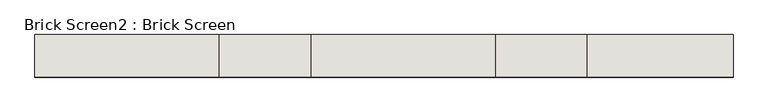
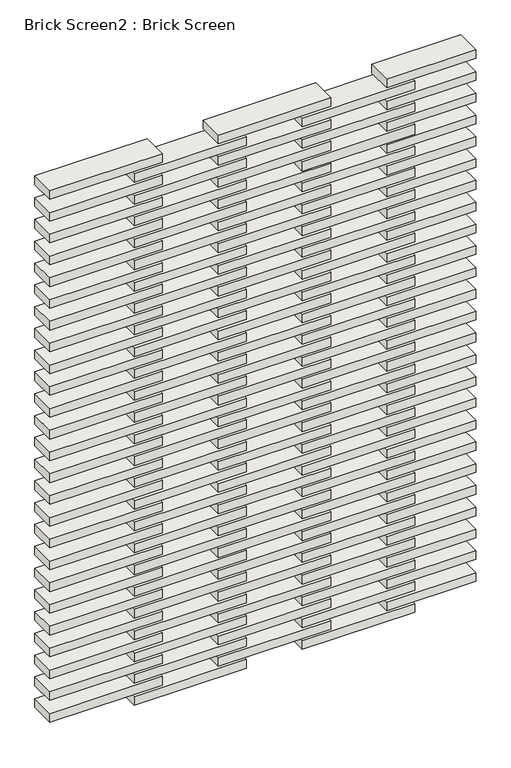
"""IFC4 building model written with IfcOpenShell, lengths in millimetres: wall geometry, Brick Screen2 : Brick Screen."""

from ifc_helpers import new_model, si_unit, frame, origin, place, context, project, spatial, polyline, outline, extrude, source, transform, mapped, element, save


def brick_screen2_brick_screen_7c3fa617(model_context):
    return source(origin(), model_context, "Body", "SweptSolid", [
        extrude(outline(polyline([(-18833.123383, 7003.9941064), (-18365.123383, 7003.9941064), (-18365.123383, 6895.9448876), (-18833.123383, 6895.9448876), (-18833.123383, 7003.9941064)])), frame((0.0, 0.0, 2991.64375), z_axis=(0.0, 0.0, 1.0), x_axis=(1.0, 0.0, 0.0)), (0.0, 0.0, 1.0), 38.0),
        extrude(outline(polyline([(-19184.123383, 7003.9941064), (-18716.123383, 7003.9941064), (-18716.123383, 6895.9448876), (-19184.123383, 6895.9448876), (-19184.123383, 7003.9941064)])), frame((0.0, 0.0, 3039.64375), z_axis=(0.0, 0.0, 1.0), x_axis=(1.0, 0.0, 0.0)), (0.0, 0.0, 1.0), 38.0),
        extrude(outline(polyline([(-19535.123383, 7003.9941064), (-19067.123383, 7003.9941064), (-19067.123383, 6895.9448876), (-19535.123383, 6895.9448876), (-19535.123383, 7003.9941064)])), frame((0.0, 0.0, 2991.64375), z_axis=(0.0, 0.0, 1.0), x_axis=(1.0, 0.0, 0.0)), (0.0, 0.0, 1.0), 38.0),
        extrude(outline(polyline([(-19886.123383, 7003.9941064), (-19418.123383, 7003.9941064), (-19418.123383, 6895.9448876), (-19886.123383, 6895.9448876), (-19886.123383, 7003.9941064)])), frame((0.0, 0.0, 3039.64375), z_axis=(0.0, 0.0, 1.0), x_axis=(1.0, 0.0, 0.0)), (0.0, 0.0, 1.0), 38.0),
        extrude(outline(polyline([(-18482.123383, 7003.9941064), (-18111.1269909, 7003.9941064), (-18111.1269909, 6895.9448876), (-18482.123383, 6895.9448876), (-18482.123383, 7003.9941064)])), frame((0.0, 0.0, 3039.64375), z_axis=(0.0, 0.0, 1.0), x_axis=(1.0, 0.0, 0.0)), (0.0, 0.0, 1.0), 38.0),
        extrude(outline(polyline([(-18833.123383, 7003.9941064), (-18365.123383, 7003.9941064), (-18365.123383, 6895.9448876), (-18833.123383, 6895.9448876), (-18833.123383, 7003.9941064)])), frame((0.0, 0.0, 3087.64375), z_axis=(0.0, 0.0, 1.0), x_axis=(1.0, 0.0, 0.0)), (0.0, 0.0, 1.0), 38.0),
        extrude(outline(polyline([(-19184.123383, 7003.9941064), (-18716.123383, 7003.9941064), (-18716.123383, 6895.9448876), (-19184.123383, 6895.9448876), (-19184.123383, 7003.9941064)])), frame((0.0, 0.0, 3135.64375), z_axis=(0.0, 0.0, 1.0), x_axis=(1.0, 0.0, 0.0)), (0.0, 0.0, 1.0), 38.0),
        extrude(outline(polyline([(-19535.123383, 7003.9941064), (-19067.123383, 7003.9941064), (-19067.123383, 6895.9448876), (-19535.123383, 6895.9448876), (-19535.123383, 7003.9941064)])), frame((0.0, 0.0, 3087.64375), z_axis=(0.0, 0.0, 1.0), x_axis=(1.0, 0.0, 0.0)), (0.0, 0.0, 1.0), 38.0),
        extrude(outline(polyline([(-19886.123383, 7003.9941064), (-19418.123383, 7003.9941064), (-19418.123383, 6895.9448876), (-19886.123383, 6895.9448876), (-19886.123383, 7003.9941064)])), frame((0.0, 0.0, 3135.64375), z_axis=(0.0, 0.0, 1.0), x_axis=(1.0, 0.0, 0.0)), (0.0, 0.0, 1.0), 38.0),
        extrude(outline(polyline([(-18482.123383, 7003.9941064), (-18111.1269909, 7003.9941064), (-18111.1269909, 6895.9448876), (-18482.123383, 6895.9448876), (-18482.123383, 7003.9941064)])), frame((0.0, 0.0, 3135.64375), z_axis=(0.0, 0.0, 1.0), x_axis=(1.0, 0.0, 0.0)), (0.0, 0.0, 1.0), 38.0),
        extrude(outline(polyline([(-18833.123383, 7003.9941064), (-18365.123383, 7003.9941064), (-18365.123383, 6895.9448876), (-18833.123383, 6895.9448876), (-18833.123383, 7003.9941064)])), frame((0.0, 0.0, 3183.64375), z_axis=(0.0, 0.0, 1.0), x_axis=(1.0, 0.0, 0.0)), (0.0, 0.0, 1.0), 38.0),
        extrude(outline(polyline([(-19184.123383, 7003.9941064), (-18716.123383, 7003.9941064), (-18716.123383, 6895.9448876), (-19184.123383, 6895.9448876), (-19184.123383, 7003.9941064)])), frame((0.0, 0.0, 3231.64375), z_axis=(0.0, 0.0, 1.0), x_axis=(1.0, 0.0, 0.0)), (0.0, 0.0, 1.0), 38.0),
        extrude(outline(polyline([(-19535.123383, 7003.9941064), (-19067.123383, 7003.9941064), (-19067.123383, 6895.9448876), (-19535.123383, 6895.9448876), (-19535.123383, 7003.9941064)])), frame((0.0, 0.0, 3183.64375), z_axis=(0.0, 0.0, 1.0), x_axis=(1.0, 0.0, 0.0)), (0.0, 0.0, 1.0), 38.0),
        extrude(outline(polyline([(-19886.123383, 7003.9941064), (-19418.123383, 7003.9941064), (-19418.123383, 6895.9448876), (-19886.123383, 6895.9448876), (-19886.123383, 7003.9941064)])), frame((0.0, 0.0, 3231.64375), z_axis=(0.0, 0.0, 1.0), x_axis=(1.0, 0.0, 0.0)), (0.0, 0.0, 1.0), 38.0),
        extrude(outline(polyline([(-18482.123383, 7003.9941064), (-18111.1269909, 7003.9941064), (-18111.1269909, 6895.9448876), (-18482.123383, 6895.9448876), (-18482.123383, 7003.9941064)])), frame((0.0, 0.0, 3231.64375), z_axis=(0.0, 0.0, 1.0), x_axis=(1.0, 0.0, 0.0)), (0.0, 0.0, 1.0), 38.0),
        extrude(outline(polyline([(-18833.123383, 7003.9941064), (-18365.123383, 7003.9941064), (-18365.123383, 6895.9448876), (-18833.123383, 6895.9448876), (-18833.123383, 7003.9941064)])), frame((0.0, 0.0, 3279.64375), z_axis=(0.0, 0.0, 1.0), x_axis=(1.0, 0.0, 0.0)), (0.0, 0.0, 1.0), 38.0),
        extrude(outline(polyline([(-19184.123383, 7003.9941064), (-18716.123383, 7003.9941064), (-18716.123383, 6895.9448876), (-19184.123383, 6895.9448876), (-19184.123383, 7003.9941064)])), frame((0.0, 0.0, 3327.64375), z_axis=(0.0, 0.0, 1.0), x_axis=(1.0, 0.0, 0.0)), (0.0, 0.0, 1.0), 38.0),
        extrude(outline(polyline([(-19535.123383, 7003.9941064), (-19067.123383, 7003.9941064), (-19067.123383, 6895.9448876), (-19535.123383, 6895.9448876), (-19535.123383, 7003.9941064)])), frame((0.0, 0.0, 3279.64375), z_axis=(0.0, 0.0, 1.0), x_axis=(1.0, 0.0, 0.0)), (0.0, 0.0, 1.0), 38.0),
        extrude(outline(polyline([(-19886.123383, 7003.9941064), (-19418.123383, 7003.9941064), (-19418.123383, 6895.9448876), (-19886.123383, 6895.9448876), (-19886.123383, 7003.9941064)])), frame((0.0, 0.0, 3327.64375), z_axis=(0.0, 0.0, 1.0), x_axis=(1.0, 0.0, 0.0)), (0.0, 0.0, 1.0), 38.0),
        extrude(outline(polyline([(-18482.123383, 7003.9941064), (-18111.1269909, 7003.9941064), (-18111.1269909, 6895.9448876), (-18482.123383, 6895.9448876), (-18482.123383, 7003.9941064)])), frame((0.0, 0.0, 3327.64375), z_axis=(0.0, 0.0, 1.0), x_axis=(1.0, 0.0, 0.0)), (0.0, 0.0, 1.0), 38.0),
        extrude(outline(polyline([(-18833.123383, 7003.9941064), (-18365.123383, 7003.9941064), (-18365.123383, 6895.9448876), (-18833.123383, 6895.9448876), (-18833.123383, 7003.9941064)])), frame((0.0, 0.0, 3375.64375), z_axis=(0.0, 0.0, 1.0), x_axis=(1.0, 0.0, 0.0)), (0.0, 0.0, 1.0), 38.0),
        extrude(outline(polyline([(-19184.123383, 7003.9941064), (-18716.123383, 7003.9941064), (-18716.123383, 6895.9448876), (-19184.123383, 6895.9448876), (-19184.123383, 7003.9941064)])), frame((0.0, 0.0, 3423.64375), z_axis=(0.0, 0.0, 1.0), x_axis=(1.0, 0.0, 0.0)), (0.0, 0.0, 1.0), 38.0),
        extrude(outline(polyline([(-19535.123383, 7003.9941064), (-19067.123383, 7003.9941064), (-19067.123383, 6895.9448876), (-19535.123383, 6895.9448876), (-19535.123383, 7003.9941064)])), frame((0.0, 0.0, 3375.64375), z_axis=(0.0, 0.0, 1.0), x_axis=(1.0, 0.0, 0.0)), (0.0, 0.0, 1.0), 38.0),
        extrude(outline(polyline([(-19886.123383, 7003.9941064), (-19418.123383, 7003.9941064), (-19418.123383, 6895.9448876), (-19886.123383, 6895.9448876), (-19886.123383, 7003.9941064)])), frame((0.0, 0.0, 3423.64375), z_axis=(0.0, 0.0, 1.0), x_axis=(1.0, 0.0, 0.0)), (0.0, 0.0, 1.0), 38.0),
        extrude(outline(polyline([(-18482.123383, 7003.9941064), (-18111.1269909, 7003.9941064), (-18111.1269909, 6895.9448876), (-18482.123383, 6895.9448876), (-18482.123383, 7003.9941064)])), frame((0.0, 0.0, 3423.64375), z_axis=(0.0, 0.0, 1.0), x_axis=(1.0, 0.0, 0.0)), (0.0, 0.0, 1.0), 38.0),
        extrude(outline(polyline([(-18833.123383, 7003.9941064), (-18365.123383, 7003.9941064), (-18365.123383, 6895.9448876), (-18833.123383, 6895.9448876), (-18833.123383, 7003.9941064)])), frame((0.0, 0.0, 3471.64375), z_axis=(0.0, 0.0, 1.0), x_axis=(1.0, 0.0, 0.0)), (0.0, 0.0, 1.0), 38.0),
        extrude(outline(polyline([(-19184.123383, 7003.9941064), (-18716.123383, 7003.9941064), (-18716.123383, 6895.9448876), (-19184.123383, 6895.9448876), (-19184.123383, 7003.9941064)])), frame((0.0, 0.0, 3519.64375), z_axis=(0.0, 0.0, 1.0), x_axis=(1.0, 0.0, 0.0)), (0.0, 0.0, 1.0), 38.0),
        extrude(outline(polyline([(-19535.123383, 7003.9941064), (-19067.123383, 7003.9941064), (-19067.123383, 6895.9448876), (-19535.123383, 6895.9448876), (-19535.123383, 7003.9941064)])), frame((0.0, 0.0, 3471.64375), z_axis=(0.0, 0.0, 1.0), x_axis=(1.0, 0.0, 0.0)), (0.0, 0.0, 1.0), 38.0),
        extrude(outline(polyline([(-19886.123383, 7003.9941064), (-19418.123383, 7003.9941064), (-19418.123383, 6895.9448876), (-19886.123383, 6895.9448876), (-19886.123383, 7003.9941064)])), frame((0.0, 0.0, 3519.64375), z_axis=(0.0, 0.0, 1.0), x_axis=(1.0, 0.0, 0.0)), (0.0, 0.0, 1.0), 38.0),
        extrude(outline(polyline([(-18482.123383, 7003.9941064), (-18111.1269909, 7003.9941064), (-18111.1269909, 6895.9448876), (-18482.123383, 6895.9448876), (-18482.123383, 7003.9941064)])), frame((0.0, 0.0, 3519.64375), z_axis=(0.0, 0.0, 1.0), x_axis=(1.0, 0.0, 0.0)), (0.0, 0.0, 1.0), 38.0),
        extrude(outline(polyline([(-18833.123383, 7003.9941064), (-18365.123383, 7003.9941064), (-18365.123383, 6895.9448876), (-18833.123383, 6895.9448876), (-18833.123383, 7003.9941064)])), frame((0.0, 0.0, 3567.64375), z_axis=(0.0, 0.0, 1.0), x_axis=(1.0, 0.0, 0.0)), (0.0, 0.0, 1.0), 38.0),
        extrude(outline(polyline([(-19184.123383, 7003.9941064), (-18716.123383, 7003.9941064), (-18716.123383, 6895.9448876), (-19184.123383, 6895.9448876), (-19184.123383, 7003.9941064)])), frame((0.0, 0.0, 3615.64375), z_axis=(0.0, 0.0, 1.0), x_axis=(1.0, 0.0, 0.0)), (0.0, 0.0, 1.0), 38.0),
        extrude(outline(polyline([(-19535.123383, 7003.9941064), (-19067.123383, 7003.9941064), (-19067.123383, 6895.9448876), (-19535.123383, 6895.9448876), (-19535.123383, 7003.9941064)])), frame((0.0, 0.0, 3567.64375), z_axis=(0.0, 0.0, 1.0), x_axis=(1.0, 0.0, 0.0)), (0.0, 0.0, 1.0), 38.0),
        extrude(outline(polyline([(-19886.123383, 7003.9941064), (-19418.123383, 7003.9941064), (-19418.123383, 6895.9448876), (-19886.123383, 6895.9448876), (-19886.123383, 7003.9941064)])), frame((0.0, 0.0, 3615.64375), z_axis=(0.0, 0.0, 1.0), x_axis=(1.0, 0.0, 0.0)), (0.0, 0.0, 1.0), 38.0),
        extrude(outline(polyline([(-18482.123383, 7003.9941064), (-18111.1269909, 7003.9941064), (-18111.1269909, 6895.9448876), (-18482.123383, 6895.9448876), (-18482.123383, 7003.9941064)])), frame((0.0, 0.0, 3615.64375), z_axis=(0.0, 0.0, 1.0), x_axis=(1.0, 0.0, 0.0)), (0.0, 0.0, 1.0), 38.0),
        extrude(outline(polyline([(-18833.123383, 7003.9941064), (-18365.123383, 7003.9941064), (-18365.123383, 6895.9448876), (-18833.123383, 6895.9448876), (-18833.123383, 7003.9941064)])), frame((0.0, 0.0, 3663.64375), z_axis=(0.0, 0.0, 1.0), x_axis=(1.0, 0.0, 0.0)), (0.0, 0.0, 1.0), 38.0),
        extrude(outline(polyline([(-19184.123383, 7003.9941064), (-18716.123383, 7003.9941064), (-18716.123383, 6895.9448876), (-19184.123383, 6895.9448876), (-19184.123383, 7003.9941064)])), frame((0.0, 0.0, 3711.64375), z_axis=(0.0, 0.0, 1.0), x_axis=(1.0, 0.0, 0.0)), (0.0, 0.0, 1.0), 38.0),
        extrude(outline(polyline([(-19535.123383, 7003.9941064), (-19067.123383, 7003.9941064), (-19067.123383, 6895.9448876), (-19535.123383, 6895.9448876), (-19535.123383, 7003.9941064)])), frame((0.0, 0.0, 3663.64375), z_axis=(0.0, 0.0, 1.0), x_axis=(1.0, 0.0, 0.0)), (0.0, 0.0, 1.0), 38.0),
        extrude(outline(polyline([(-19886.123383, 7003.9941064), (-19418.123383, 7003.9941064), (-19418.123383, 6895.9448876), (-19886.123383, 6895.9448876), (-19886.123383, 7003.9941064)])), frame((0.0, 0.0, 3711.64375), z_axis=(0.0, 0.0, 1.0), x_axis=(1.0, 0.0, 0.0)), (0.0, 0.0, 1.0), 38.0),
        extrude(outline(polyline([(-18482.123383, 7003.9941064), (-18111.1269909, 7003.9941064), (-18111.1269909, 6895.9448876), (-18482.123383, 6895.9448876), (-18482.123383, 7003.9941064)])), frame((0.0, 0.0, 3711.64375), z_axis=(0.0, 0.0, 1.0), x_axis=(1.0, 0.0, 0.0)), (0.0, 0.0, 1.0), 38.0),
        extrude(outline(polyline([(-18833.123383, 7003.9941064), (-18365.123383, 7003.9941064), (-18365.123383, 6895.9448876), (-18833.123383, 6895.9448876), (-18833.123383, 7003.9941064)])), frame((0.0, 0.0, 3759.64375), z_axis=(0.0, 0.0, 1.0), x_axis=(1.0, 0.0, 0.0)), (0.0, 0.0, 1.0), 38.0),
        extrude(outline(polyline([(-19184.123383, 7003.9941064), (-18716.123383, 7003.9941064), (-18716.123383, 6895.9448876), (-19184.123383, 6895.9448876), (-19184.123383, 7003.9941064)])), frame((0.0, 0.0, 3807.64375), z_axis=(0.0, 0.0, 1.0), x_axis=(1.0, 0.0, 0.0)), (0.0, 0.0, 1.0), 38.0),
        extrude(outline(polyline([(-19535.123383, 7003.9941064), (-19067.123383, 7003.9941064), (-19067.123383, 6895.9448876), (-19535.123383, 6895.9448876), (-19535.123383, 7003.9941064)])), frame((0.0, 0.0, 3759.64375), z_axis=(0.0, 0.0, 1.0), x_axis=(1.0, 0.0, 0.0)), (0.0, 0.0, 1.0), 38.0),
        extrude(outline(polyline([(-19886.123383, 7003.9941064), (-19418.123383, 7003.9941064), (-19418.123383, 6895.9448876), (-19886.123383, 6895.9448876), (-19886.123383, 7003.9941064)])), frame((0.0, 0.0, 3807.64375), z_axis=(0.0, 0.0, 1.0), x_axis=(1.0, 0.0, 0.0)), (0.0, 0.0, 1.0), 38.0),
        extrude(outline(polyline([(-18482.123383, 7003.9941064), (-18111.1269909, 7003.9941064), (-18111.1269909, 6895.9448876), (-18482.123383, 6895.9448876), (-18482.123383, 7003.9941064)])), frame((0.0, 0.0, 3807.64375), z_axis=(0.0, 0.0, 1.0), x_axis=(1.0, 0.0, 0.0)), (0.0, 0.0, 1.0), 38.0),
        extrude(outline(polyline([(-18833.123383, 7003.9941064), (-18365.123383, 7003.9941064), (-18365.123383, 6895.9448876), (-18833.123383, 6895.9448876), (-18833.123383, 7003.9941064)])), frame((0.0, 0.0, 3855.64375), z_axis=(0.0, 0.0, 1.0), x_axis=(1.0, 0.0, 0.0)), (0.0, 0.0, 1.0), 38.0),
        extrude(outline(polyline([(-19184.123383, 7003.9941064), (-18716.123383, 7003.9941064), (-18716.123383, 6895.9448876), (-19184.123383, 6895.9448876), (-19184.123383, 7003.9941064)])), frame((0.0, 0.0, 3903.64375), z_axis=(0.0, 0.0, 1.0), x_axis=(1.0, 0.0, 0.0)), (0.0, 0.0, 1.0), 38.0),
        extrude(outline(polyline([(-19535.123383, 7003.9941064), (-19067.123383, 7003.9941064), (-19067.123383, 6895.9448876), (-19535.123383, 6895.9448876), (-19535.123383, 7003.9941064)])), frame((0.0, 0.0, 3855.64375), z_axis=(0.0, 0.0, 1.0), x_axis=(1.0, 0.0, 0.0)), (0.0, 0.0, 1.0), 38.0),
        extrude(outline(polyline([(-19886.123383, 7003.9941064), (-19418.123383, 7003.9941064), (-19418.123383, 6895.9448876), (-19886.123383, 6895.9448876), (-19886.123383, 7003.9941064)])), frame((0.0, 0.0, 3903.64375), z_axis=(0.0, 0.0, 1.0), x_axis=(1.0, 0.0, 0.0)), (0.0, 0.0, 1.0), 38.0),
        extrude(outline(polyline([(-18482.123383, 7003.9941064), (-18111.1269909, 7003.9941064), (-18111.1269909, 6895.9448876), (-18482.123383, 6895.9448876), (-18482.123383, 7003.9941064)])), frame((0.0, 0.0, 3903.64375), z_axis=(0.0, 0.0, 1.0), x_axis=(1.0, 0.0, 0.0)), (0.0, 0.0, 1.0), 38.0),
        extrude(outline(polyline([(-18833.123383, 7003.9941064), (-18365.123383, 7003.9941064), (-18365.123383, 6895.9448876), (-18833.123383, 6895.9448876), (-18833.123383, 7003.9941064)])), frame((0.0, 0.0, 3951.64375), z_axis=(0.0, 0.0, 1.0), x_axis=(1.0, 0.0, 0.0)), (0.0, 0.0, 1.0), 38.0),
        extrude(outline(polyline([(-19184.123383, 7003.9941064), (-18716.123383, 7003.9941064), (-18716.123383, 6895.9448876), (-19184.123383, 6895.9448876), (-19184.123383, 7003.9941064)])), frame((0.0, 0.0, 3999.64375), z_axis=(0.0, 0.0, 1.0), x_axis=(1.0, 0.0, 0.0)), (0.0, 0.0, 1.0), 38.0),
        extrude(outline(polyline([(-19535.123383, 7003.9941064), (-19067.123383, 7003.9941064), (-19067.123383, 6895.9448876), (-19535.123383, 6895.9448876), (-19535.123383, 7003.9941064)])), frame((0.0, 0.0, 3951.64375), z_axis=(0.0, 0.0, 1.0), x_axis=(1.0, 0.0, 0.0)), (0.0, 0.0, 1.0), 38.0),
        extrude(outline(polyline([(-19886.123383, 7003.9941064), (-19418.123383, 7003.9941064), (-19418.123383, 6895.9448876), (-19886.123383, 6895.9448876), (-19886.123383, 7003.9941064)])), frame((0.0, 0.0, 3999.64375), z_axis=(0.0, 0.0, 1.0), x_axis=(1.0, 0.0, 0.0)), (0.0, 0.0, 1.0), 38.0),
        extrude(outline(polyline([(-18482.123383, 7003.9941064), (-18111.1269909, 7003.9941064), (-18111.1269909, 6895.9448876), (-18482.123383, 6895.9448876), (-18482.123383, 7003.9941064)])), frame((0.0, 0.0, 3999.64375), z_axis=(0.0, 0.0, 1.0), x_axis=(1.0, 0.0, 0.0)), (0.0, 0.0, 1.0), 38.0),
        extrude(outline(polyline([(-18833.123383, 7003.9941064), (-18365.123383, 7003.9941064), (-18365.123383, 6895.9448876), (-18833.123383, 6895.9448876), (-18833.123383, 7003.9941064)])), frame((0.0, 0.0, 4047.64375), z_axis=(0.0, 0.0, 1.0), x_axis=(1.0, 0.0, 0.0)), (0.0, 0.0, 1.0), 38.0),
        extrude(outline(polyline([(-19184.123383, 7003.9941064), (-18716.123383, 7003.9941064), (-18716.123383, 6895.9448876), (-19184.123383, 6895.9448876), (-19184.123383, 7003.9941064)])), frame((0.0, 0.0, 4095.64375), z_axis=(0.0, 0.0, 1.0), x_axis=(1.0, 0.0, 0.0)), (0.0, 0.0, 1.0), 38.0),
        extrude(outline(polyline([(-19535.123383, 7003.9941064), (-19067.123383, 7003.9941064), (-19067.123383, 6895.9448876), (-19535.123383, 6895.9448876), (-19535.123383, 7003.9941064)])), frame((0.0, 0.0, 4047.64375), z_axis=(0.0, 0.0, 1.0), x_axis=(1.0, 0.0, 0.0)), (0.0, 0.0, 1.0), 38.0),
        extrude(outline(polyline([(-19886.123383, 7003.9941064), (-19418.123383, 7003.9941064), (-19418.123383, 6895.9448876), (-19886.123383, 6895.9448876), (-19886.123383, 7003.9941064)])), frame((0.0, 0.0, 4095.64375), z_axis=(0.0, 0.0, 1.0), x_axis=(1.0, 0.0, 0.0)), (0.0, 0.0, 1.0), 38.0),
        extrude(outline(polyline([(-18482.123383, 7003.9941064), (-18111.1269909, 7003.9941064), (-18111.1269909, 6895.9448876), (-18482.123383, 6895.9448876), (-18482.123383, 7003.9941064)])), frame((0.0, 0.0, 4095.64375), z_axis=(0.0, 0.0, 1.0), x_axis=(1.0, 0.0, 0.0)), (0.0, 0.0, 1.0), 38.0),
        extrude(outline(polyline([(-18833.123383, 7003.9941064), (-18365.123383, 7003.9941064), (-18365.123383, 6895.9448876), (-18833.123383, 6895.9448876), (-18833.123383, 7003.9941064)])), frame((0.0, 0.0, 4143.64375), z_axis=(0.0, 0.0, 1.0), x_axis=(1.0, 0.0, 0.0)), (0.0, 0.0, 1.0), 38.0),
        extrude(outline(polyline([(-19184.123383, 7003.9941064), (-18716.123383, 7003.9941064), (-18716.123383, 6895.9448876), (-19184.123383, 6895.9448876), (-19184.123383, 7003.9941064)])), frame((0.0, 0.0, 4191.64375), z_axis=(0.0, 0.0, 1.0), x_axis=(1.0, 0.0, 0.0)), (0.0, 0.0, 1.0), 38.0),
        extrude(outline(polyline([(-19535.123383, 7003.9941064), (-19067.123383, 7003.9941064), (-19067.123383, 6895.9448876), (-19535.123383, 6895.9448876), (-19535.123383, 7003.9941064)])), frame((0.0, 0.0, 4143.64375), z_axis=(0.0, 0.0, 1.0), x_axis=(1.0, 0.0, 0.0)), (0.0, 0.0, 1.0), 38.0),
        extrude(outline(polyline([(-19886.123383, 7003.9941064), (-19418.123383, 7003.9941064), (-19418.123383, 6895.9448876), (-19886.123383, 6895.9448876), (-19886.123383, 7003.9941064)])), frame((0.0, 0.0, 4191.64375), z_axis=(0.0, 0.0, 1.0), x_axis=(1.0, 0.0, 0.0)), (0.0, 0.0, 1.0), 38.0),
        extrude(outline(polyline([(-18482.123383, 7003.9941064), (-18111.1269909, 7003.9941064), (-18111.1269909, 6895.9448876), (-18482.123383, 6895.9448876), (-18482.123383, 7003.9941064)])), frame((0.0, 0.0, 4191.64375), z_axis=(0.0, 0.0, 1.0), x_axis=(1.0, 0.0, 0.0)), (0.0, 0.0, 1.0), 38.0),
        extrude(outline(polyline([(-18833.123383, 7003.9941064), (-18365.123383, 7003.9941064), (-18365.123383, 6895.9448876), (-18833.123383, 6895.9448876), (-18833.123383, 7003.9941064)])), frame((0.0, 0.0, 4239.64375), z_axis=(0.0, 0.0, 1.0), x_axis=(1.0, 0.0, 0.0)), (0.0, 0.0, 1.0), 38.0),
        extrude(outline(polyline([(-19184.123383, 7003.9941064), (-18716.123383, 7003.9941064), (-18716.123383, 6895.9448876), (-19184.123383, 6895.9448876), (-19184.123383, 7003.9941064)])), frame((0.0, 0.0, 4287.64375), z_axis=(0.0, 0.0, 1.0), x_axis=(1.0, 0.0, 0.0)), (0.0, 0.0, 1.0), 38.0),
        extrude(outline(polyline([(-19535.123383, 7003.9941064), (-19067.123383, 7003.9941064), (-19067.123383, 6895.9448876), (-19535.123383, 6895.9448876), (-19535.123383, 7003.9941064)])), frame((0.0, 0.0, 4239.64375), z_axis=(0.0, 0.0, 1.0), x_axis=(1.0, 0.0, 0.0)), (0.0, 0.0, 1.0), 38.0),
        extrude(outline(polyline([(-19886.123383, 7003.9941064), (-19418.123383, 7003.9941064), (-19418.123383, 6895.9448876), (-19886.123383, 6895.9448876), (-19886.123383, 7003.9941064)])), frame((0.0, 0.0, 4287.64375), z_axis=(0.0, 0.0, 1.0), x_axis=(1.0, 0.0, 0.0)), (0.0, 0.0, 1.0), 38.0),
        extrude(outline(polyline([(-18482.123383, 7003.9941064), (-18111.1269909, 7003.9941064), (-18111.1269909, 6895.9448876), (-18482.123383, 6895.9448876), (-18482.123383, 7003.9941064)])), frame((0.0, 0.0, 4287.64375), z_axis=(0.0, 0.0, 1.0), x_axis=(1.0, 0.0, 0.0)), (0.0, 0.0, 1.0), 38.0),
        extrude(outline(polyline([(-18833.123383, 7003.9941064), (-18365.123383, 7003.9941064), (-18365.123383, 6895.9448876), (-18833.123383, 6895.9448876), (-18833.123383, 7003.9941064)])), frame((0.0, 0.0, 4335.64375), z_axis=(0.0, 0.0, 1.0), x_axis=(1.0, 0.0, 0.0)), (0.0, 0.0, 1.0), 38.0),
        extrude(outline(polyline([(-19184.123383, 7003.9941064), (-18716.123383, 7003.9941064), (-18716.123383, 6895.9448876), (-19184.123383, 6895.9448876), (-19184.123383, 7003.9941064)])), frame((0.0, 0.0, 4383.64375), z_axis=(0.0, 0.0, 1.0), x_axis=(1.0, 0.0, 0.0)), (0.0, 0.0, 1.0), 38.0),
        extrude(outline(polyline([(-19535.123383, 7003.9941064), (-19067.123383, 7003.9941064), (-19067.123383, 6895.9448876), (-19535.123383, 6895.9448876), (-19535.123383, 7003.9941064)])), frame((0.0, 0.0, 4335.64375), z_axis=(0.0, 0.0, 1.0), x_axis=(1.0, 0.0, 0.0)), (0.0, 0.0, 1.0), 38.0),
        extrude(outline(polyline([(-19886.123383, 7003.9941064), (-19418.123383, 7003.9941064), (-19418.123383, 6895.9448876), (-19886.123383, 6895.9448876), (-19886.123383, 7003.9941064)])), frame((0.0, 0.0, 4383.64375), z_axis=(0.0, 0.0, 1.0), x_axis=(1.0, 0.0, 0.0)), (0.0, 0.0, 1.0), 38.0),
        extrude(outline(polyline([(-18482.123383, 7003.9941064), (-18111.1269909, 7003.9941064), (-18111.1269909, 6895.9448876), (-18482.123383, 6895.9448876), (-18482.123383, 7003.9941064)])), frame((0.0, 0.0, 4383.64375), z_axis=(0.0, 0.0, 1.0), x_axis=(1.0, 0.0, 0.0)), (0.0, 0.0, 1.0), 38.0),
        extrude(outline(polyline([(-18833.123383, 7003.9941064), (-18365.123383, 7003.9941064), (-18365.123383, 6895.9448876), (-18833.123383, 6895.9448876), (-18833.123383, 7003.9941064)])), frame((0.0, 0.0, 4431.64375), z_axis=(0.0, 0.0, 1.0), x_axis=(1.0, 0.0, 0.0)), (0.0, 0.0, 1.0), 38.0),
        extrude(outline(polyline([(-19184.123383, 7003.9941064), (-18716.123383, 7003.9941064), (-18716.123383, 6895.9448876), (-19184.123383, 6895.9448876), (-19184.123383, 7003.9941064)])), frame((0.0, 0.0, 4479.64375), z_axis=(0.0, 0.0, 1.0), x_axis=(1.0, 0.0, 0.0)), (0.0, 0.0, 1.0), 38.0),
        extrude(outline(polyline([(-19535.123383, 7003.9941064), (-19067.123383, 7003.9941064), (-19067.123383, 6895.9448876), (-19535.123383, 6895.9448876), (-19535.123383, 7003.9941064)])), frame((0.0, 0.0, 4431.64375), z_axis=(0.0, 0.0, 1.0), x_axis=(1.0, 0.0, 0.0)), (0.0, 0.0, 1.0), 38.0),
        extrude(outline(polyline([(-19886.123383, 7003.9941064), (-19418.123383, 7003.9941064), (-19418.123383, 6895.9448876), (-19886.123383, 6895.9448876), (-19886.123383, 7003.9941064)])), frame((0.0, 0.0, 4479.64375), z_axis=(0.0, 0.0, 1.0), x_axis=(1.0, 0.0, 0.0)), (0.0, 0.0, 1.0), 38.0),
        extrude(outline(polyline([(-18482.123383, 7003.9941064), (-18111.1269909, 7003.9941064), (-18111.1269909, 6895.9448876), (-18482.123383, 6895.9448876), (-18482.123383, 7003.9941064)])), frame((0.0, 0.0, 4479.64375), z_axis=(0.0, 0.0, 1.0), x_axis=(1.0, 0.0, 0.0)), (0.0, 0.0, 1.0), 38.0),
        extrude(outline(polyline([(-18833.123383, 7003.9941064), (-18365.123383, 7003.9941064), (-18365.123383, 6895.9448876), (-18833.123383, 6895.9448876), (-18833.123383, 7003.9941064)])), frame((0.0, 0.0, 4527.64375), z_axis=(0.0, 0.0, 1.0), x_axis=(1.0, 0.0, 0.0)), (0.0, 0.0, 1.0), 38.0),
        extrude(outline(polyline([(-19184.123383, 7003.9941064), (-18716.123383, 7003.9941064), (-18716.123383, 6895.9448876), (-19184.123383, 6895.9448876), (-19184.123383, 7003.9941064)])), frame((0.0, 0.0, 4575.64375), z_axis=(0.0, 0.0, 1.0), x_axis=(1.0, 0.0, 0.0)), (0.0, 0.0, 1.0), 38.0),
        extrude(outline(polyline([(-19535.123383, 7003.9941064), (-19067.123383, 7003.9941064), (-19067.123383, 6895.9448876), (-19535.123383, 6895.9448876), (-19535.123383, 7003.9941064)])), frame((0.0, 0.0, 4527.64375), z_axis=(0.0, 0.0, 1.0), x_axis=(1.0, 0.0, 0.0)), (0.0, 0.0, 1.0), 38.0),
        extrude(outline(polyline([(-19886.123383, 7003.9941064), (-19418.123383, 7003.9941064), (-19418.123383, 6895.9448876), (-19886.123383, 6895.9448876), (-19886.123383, 7003.9941064)])), frame((0.0, 0.0, 4575.64375), z_axis=(0.0, 0.0, 1.0), x_axis=(1.0, 0.0, 0.0)), (0.0, 0.0, 1.0), 38.0),
        extrude(outline(polyline([(-18482.123383, 7003.9941064), (-18111.1269909, 7003.9941064), (-18111.1269909, 6895.9448876), (-18482.123383, 6895.9448876), (-18482.123383, 7003.9941064)])), frame((0.0, 0.0, 4575.64375), z_axis=(0.0, 0.0, 1.0), x_axis=(1.0, 0.0, 0.0)), (0.0, 0.0, 1.0), 38.0),
        extrude(outline(polyline([(-18833.123383, 7003.9941064), (-18365.123383, 7003.9941064), (-18365.123383, 6895.9448876), (-18833.123383, 6895.9448876), (-18833.123383, 7003.9941064)])), frame((0.0, 0.0, 4623.64375), z_axis=(0.0, 0.0, 1.0), x_axis=(1.0, 0.0, 0.0)), (0.0, 0.0, 1.0), 38.0),
        extrude(outline(polyline([(-19184.123383, 7003.9941064), (-18716.123383, 7003.9941064), (-18716.123383, 6895.9448876), (-19184.123383, 6895.9448876), (-19184.123383, 7003.9941064)])), frame((0.0, 0.0, 4671.64375), z_axis=(0.0, 0.0, 1.0), x_axis=(1.0, 0.0, 0.0)), (0.0, 0.0, 1.0), 38.0),
        extrude(outline(polyline([(-19535.123383, 7003.9941064), (-19067.123383, 7003.9941064), (-19067.123383, 6895.9448876), (-19535.123383, 6895.9448876), (-19535.123383, 7003.9941064)])), frame((0.0, 0.0, 4623.64375), z_axis=(0.0, 0.0, 1.0), x_axis=(1.0, 0.0, 0.0)), (0.0, 0.0, 1.0), 38.0),
        extrude(outline(polyline([(-19886.123383, 7003.9941064), (-19418.123383, 7003.9941064), (-19418.123383, 6895.9448876), (-19886.123383, 6895.9448876), (-19886.123383, 7003.9941064)])), frame((0.0, 0.0, 4671.64375), z_axis=(0.0, 0.0, 1.0), x_axis=(1.0, 0.0, 0.0)), (0.0, 0.0, 1.0), 38.0),
        extrude(outline(polyline([(-18482.123383, 7003.9941064), (-18111.1269909, 7003.9941064), (-18111.1269909, 6895.9448876), (-18482.123383, 6895.9448876), (-18482.123383, 7003.9941064)])), frame((0.0, 0.0, 4671.64375), z_axis=(0.0, 0.0, 1.0), x_axis=(1.0, 0.0, 0.0)), (0.0, 0.0, 1.0), 38.0),
        extrude(outline(polyline([(-18833.123383, 7003.9941064), (-18365.123383, 7003.9941064), (-18365.123383, 6895.9448876), (-18833.123383, 6895.9448876), (-18833.123383, 7003.9941064)])), frame((0.0, 0.0, 4719.64375), z_axis=(0.0, 0.0, 1.0), x_axis=(1.0, 0.0, 0.0)), (0.0, 0.0, 1.0), 38.0),
        extrude(outline(polyline([(-19184.123383, 7003.9941064), (-18716.123383, 7003.9941064), (-18716.123383, 6895.9448876), (-19184.123383, 6895.9448876), (-19184.123383, 7003.9941064)])), frame((0.0, 0.0, 4767.64375), z_axis=(0.0, 0.0, 1.0), x_axis=(1.0, 0.0, 0.0)), (0.0, 0.0, 1.0), 38.0),
        extrude(outline(polyline([(-19535.123383, 7003.9941064), (-19067.123383, 7003.9941064), (-19067.123383, 6895.9448876), (-19535.123383, 6895.9448876), (-19535.123383, 7003.9941064)])), frame((0.0, 0.0, 4719.64375), z_axis=(0.0, 0.0, 1.0), x_axis=(1.0, 0.0, 0.0)), (0.0, 0.0, 1.0), 38.0),
        extrude(outline(polyline([(-19886.123383, 7003.9941064), (-19418.123383, 7003.9941064), (-19418.123383, 6895.9448876), (-19886.123383, 6895.9448876), (-19886.123383, 7003.9941064)])), frame((0.0, 0.0, 4767.64375), z_axis=(0.0, 0.0, 1.0), x_axis=(1.0, 0.0, 0.0)), (0.0, 0.0, 1.0), 38.0),
        extrude(outline(polyline([(-18482.123383, 7003.9941064), (-18111.1269909, 7003.9941064), (-18111.1269909, 6895.9448876), (-18482.123383, 6895.9448876), (-18482.123383, 7003.9941064)])), frame((0.0, 0.0, 4767.64375), z_axis=(0.0, 0.0, 1.0), x_axis=(1.0, 0.0, 0.0)), (0.0, 0.0, 1.0), 38.0),
        extrude(outline(polyline([(-18833.123383, 7003.9941064), (-18365.123383, 7003.9941064), (-18365.123383, 6895.9448876), (-18833.123383, 6895.9448876), (-18833.123383, 7003.9941064)])), frame((0.0, 0.0, 4815.64375), z_axis=(0.0, 0.0, 1.0), x_axis=(1.0, 0.0, 0.0)), (0.0, 0.0, 1.0), 38.0),
        extrude(outline(polyline([(-19184.123383, 7003.9941064), (-18716.123383, 7003.9941064), (-18716.123383, 6895.9448876), (-19184.123383, 6895.9448876), (-19184.123383, 7003.9941064)])), frame((0.0, 0.0, 4863.64375), z_axis=(0.0, 0.0, 1.0), x_axis=(1.0, 0.0, 0.0)), (0.0, 0.0, 1.0), 38.0),
        extrude(outline(polyline([(-19535.123383, 7003.9941064), (-19067.123383, 7003.9941064), (-19067.123383, 6895.9448876), (-19535.123383, 6895.9448876), (-19535.123383, 7003.9941064)])), frame((0.0, 0.0, 4815.64375), z_axis=(0.0, 0.0, 1.0), x_axis=(1.0, 0.0, 0.0)), (0.0, 0.0, 1.0), 38.0),
        extrude(outline(polyline([(-19886.123383, 7003.9941064), (-19418.123383, 7003.9941064), (-19418.123383, 6895.9448876), (-19886.123383, 6895.9448876), (-19886.123383, 7003.9941064)])), frame((0.0, 0.0, 4863.64375), z_axis=(0.0, 0.0, 1.0), x_axis=(1.0, 0.0, 0.0)), (0.0, 0.0, 1.0), 38.0),
        extrude(outline(polyline([(-18482.123383, 7003.9941064), (-18111.1269909, 7003.9941064), (-18111.1269909, 6895.9448876), (-18482.123383, 6895.9448876), (-18482.123383, 7003.9941064)])), frame((0.0, 0.0, 4863.64375), z_axis=(0.0, 0.0, 1.0), x_axis=(1.0, 0.0, 0.0)), (0.0, 0.0, 1.0), 38.0),
        extrude(outline(polyline([(-18833.123383, 7003.9941064), (-18365.123383, 7003.9941064), (-18365.123383, 6895.9448876), (-18833.123383, 6895.9448876), (-18833.123383, 7003.9941064)])), frame((0.0, 0.0, 4911.64375), z_axis=(0.0, 0.0, 1.0), x_axis=(1.0, 0.0, 0.0)), (0.0, 0.0, 1.0), 38.0),
        extrude(outline(polyline([(-19184.123383, 7003.9941064), (-18716.123383, 7003.9941064), (-18716.123383, 6895.9448876), (-19184.123383, 6895.9448876), (-19184.123383, 7003.9941064)])), frame((0.0, 0.0, 4959.64375), z_axis=(0.0, 0.0, 1.0), x_axis=(1.0, 0.0, 0.0)), (0.0, 0.0, 1.0), 38.0),
        extrude(outline(polyline([(-19535.123383, 7003.9941064), (-19067.123383, 7003.9941064), (-19067.123383, 6895.9448876), (-19535.123383, 6895.9448876), (-19535.123383, 7003.9941064)])), frame((0.0, 0.0, 4911.64375), z_axis=(0.0, 0.0, 1.0), x_axis=(1.0, 0.0, 0.0)), (0.0, 0.0, 1.0), 38.0),
        extrude(outline(polyline([(-19886.123383, 7003.9941064), (-19418.123383, 7003.9941064), (-19418.123383, 6895.9448876), (-19886.123383, 6895.9448876), (-19886.123383, 7003.9941064)])), frame((0.0, 0.0, 4959.64375), z_axis=(0.0, 0.0, 1.0), x_axis=(1.0, 0.0, 0.0)), (0.0, 0.0, 1.0), 38.0),
        extrude(outline(polyline([(-18482.123383, 7003.9941064), (-18111.1269909, 7003.9941064), (-18111.1269909, 6895.9448876), (-18482.123383, 6895.9448876), (-18482.123383, 7003.9941064)])), frame((0.0, 0.0, 4959.64375), z_axis=(0.0, 0.0, 1.0), x_axis=(1.0, 0.0, 0.0)), (0.0, 0.0, 1.0), 38.0),
        extrude(outline(polyline([(-18833.123383, 7003.9941064), (-18365.123383, 7003.9941064), (-18365.123383, 6895.9448876), (-18833.123383, 6895.9448876), (-18833.123383, 7003.9941064)])), frame((0.0, 0.0, 5007.64375), z_axis=(0.0, 0.0, 1.0), x_axis=(1.0, 0.0, 0.0)), (0.0, 0.0, 1.0), 38.0),
        extrude(outline(polyline([(-19184.123383, 7003.9941064), (-18716.123383, 7003.9941064), (-18716.123383, 6895.9448876), (-19184.123383, 6895.9448876), (-19184.123383, 7003.9941064)])), frame((0.0, 0.0, 5055.64375), z_axis=(0.0, 0.0, 1.0), x_axis=(1.0, 0.0, 0.0)), (0.0, 0.0, 1.0), 38.0),
        extrude(outline(polyline([(-19535.123383, 7003.9941064), (-19067.123383, 7003.9941064), (-19067.123383, 6895.9448876), (-19535.123383, 6895.9448876), (-19535.123383, 7003.9941064)])), frame((0.0, 0.0, 5007.64375), z_axis=(0.0, 0.0, 1.0), x_axis=(1.0, 0.0, 0.0)), (0.0, 0.0, 1.0), 38.0),
        extrude(outline(polyline([(-19886.123383, 7003.9941064), (-19418.123383, 7003.9941064), (-19418.123383, 6895.9448876), (-19886.123383, 6895.9448876), (-19886.123383, 7003.9941064)])), frame((0.0, 0.0, 5055.64375), z_axis=(0.0, 0.0, 1.0), x_axis=(1.0, 0.0, 0.0)), (0.0, 0.0, 1.0), 38.0),
        extrude(outline(polyline([(-18482.123383, 7003.9941064), (-18111.1269909, 7003.9941064), (-18111.1269909, 6895.9448876), (-18482.123383, 6895.9448876), (-18482.123383, 7003.9941064)])), frame((0.0, 0.0, 5055.64375), z_axis=(0.0, 0.0, 1.0), x_axis=(1.0, 0.0, 0.0)), (0.0, 0.0, 1.0), 38.0),
        extrude(outline(polyline([(-18833.123383, 7003.9941064), (-18365.123383, 7003.9941064), (-18365.123383, 6895.9448876), (-18833.123383, 6895.9448876), (-18833.123383, 7003.9941064)])), frame((0.0, 0.0, 5099.05), z_axis=(0.0, 0.0, 1.0), x_axis=(1.0, 0.0, 0.0)), (0.0, 0.0, 1.0), 42.59375),
        extrude(outline(polyline([(-19535.123383, 7003.9941064), (-19067.123383, 7003.9941064), (-19067.123383, 6895.9448876), (-19535.123383, 6895.9448876), (-19535.123383, 7003.9941064)])), frame((0.0, 0.0, 5103.64375), z_axis=(0.0, 0.0, 1.0), x_axis=(1.0, 0.0, 0.0)), (0.0, 0.0, 1.0), 38.0),
        extrude(outline(polyline([(-19184.123383, 7003.9941064), (-18716.123383, 7003.9941064), (-18716.123383, 6895.9448876), (-19184.123383, 6895.9448876), (-19184.123383, 7003.9941064)])), frame((0.0, 0.0, 5151.64375), z_axis=(0.0, 0.0, 1.0), x_axis=(1.0, 0.0, 0.0)), (0.0, 0.0, 1.0), 38.0),
        extrude(outline(polyline([(-19886.123383, 7003.9941064), (-19418.123383, 7003.9941064), (-19418.123383, 6895.9448876), (-19886.123383, 6895.9448876), (-19886.123383, 7003.9941064)])), frame((0.0, 0.0, 5151.64375), z_axis=(0.0, 0.0, 1.0), x_axis=(1.0, 0.0, 0.0)), (0.0, 0.0, 1.0), 38.0),
        extrude(outline(polyline([(-18482.123383, 7003.9941064), (-18111.1269909, 7003.9941064), (-18111.1269909, 6895.9448876), (-18482.123383, 6895.9448876), (-18482.123383, 7003.9941064)])), frame((0.0, 0.0, 5151.64375), z_axis=(0.0, 0.0, 1.0), x_axis=(1.0, 0.0, 0.0)), (0.0, 0.0, 1.0), 38.0),
        extrude(outline(polyline([(-18833.123383, 7003.9941064), (-18365.123383, 7003.9941064), (-18365.123383, 6895.9448876), (-18833.123383, 6895.9448876), (-18833.123383, 7003.9941064)])), frame((0.0, 0.0, 5199.64375), z_axis=(0.0, 0.0, 1.0), x_axis=(1.0, 0.0, 0.0)), (0.0, 0.0, 1.0), 38.0),
        extrude(outline(polyline([(-19184.123383, 7003.9941064), (-18716.123383, 7003.9941064), (-18716.123383, 6895.9448876), (-19184.123383, 6895.9448876), (-19184.123383, 7003.9941064)])), frame((0.0, 0.0, 5247.64375), z_axis=(0.0, 0.0, 1.0), x_axis=(1.0, 0.0, 0.0)), (0.0, 0.0, 1.0), 38.0),
        extrude(outline(polyline([(-19535.123383, 7003.9941064), (-19067.123383, 7003.9941064), (-19067.123383, 6895.9448876), (-19535.123383, 6895.9448876), (-19535.123383, 7003.9941064)])), frame((0.0, 0.0, 5199.64375), z_axis=(0.0, 0.0, 1.0), x_axis=(1.0, 0.0, 0.0)), (0.0, 0.0, 1.0), 38.0),
        extrude(outline(polyline([(-19886.123383, 7003.9941064), (-19418.123383, 7003.9941064), (-19418.123383, 6895.9448876), (-19886.123383, 6895.9448876), (-19886.123383, 7003.9941064)])), frame((0.0, 0.0, 5247.64375), z_axis=(0.0, 0.0, 1.0), x_axis=(1.0, 0.0, 0.0)), (0.0, 0.0, 1.0), 38.0),
        extrude(outline(polyline([(-18482.123383, 7003.9941064), (-18111.1269909, 7003.9941064), (-18111.1269909, 6895.9448876), (-18482.123383, 6895.9448876), (-18482.123383, 7003.9941064)])), frame((0.0, 0.0, 5247.64375), z_axis=(0.0, 0.0, 1.0), x_axis=(1.0, 0.0, 0.0)), (0.0, 0.0, 1.0), 38.0),
        extrude(outline(polyline([(-18833.123383, 7003.9941064), (-18365.123383, 7003.9941064), (-18365.123383, 6895.9448876), (-18833.123383, 6895.9448876), (-18833.123383, 7003.9941064)])), frame((0.0, 0.0, 5295.64375), z_axis=(0.0, 0.0, 1.0), x_axis=(1.0, 0.0, 0.0)), (0.0, 0.0, 1.0), 38.0),
        extrude(outline(polyline([(-19184.123383, 7003.9941064), (-18716.123383, 7003.9941064), (-18716.123383, 6895.9448876), (-19184.123383, 6895.9448876), (-19184.123383, 7003.9941064)])), frame((0.0, 0.0, 5343.64375), z_axis=(0.0, 0.0, 1.0), x_axis=(1.0, 0.0, 0.0)), (0.0, 0.0, 1.0), 38.0),
        extrude(outline(polyline([(-19535.123383, 7003.9941064), (-19067.123383, 7003.9941064), (-19067.123383, 6895.9448876), (-19535.123383, 6895.9448876), (-19535.123383, 7003.9941064)])), frame((0.0, 0.0, 5295.64375), z_axis=(0.0, 0.0, 1.0), x_axis=(1.0, 0.0, 0.0)), (0.0, 0.0, 1.0), 38.0),
        extrude(outline(polyline([(-19886.123383, 7003.9941064), (-19418.123383, 7003.9941064), (-19418.123383, 6895.9448876), (-19886.123383, 6895.9448876), (-19886.123383, 7003.9941064)])), frame((0.0, 0.0, 5343.64375), z_axis=(0.0, 0.0, 1.0), x_axis=(1.0, 0.0, 0.0)), (0.0, 0.0, 1.0), 38.0),
        extrude(outline(polyline([(-18482.123383, 7003.9941064), (-18111.1269909, 7003.9941064), (-18111.1269909, 6895.9448876), (-18482.123383, 6895.9448876), (-18482.123383, 7003.9941064)])), frame((0.0, 0.0, 5343.64375), z_axis=(0.0, 0.0, 1.0), x_axis=(1.0, 0.0, 0.0)), (0.0, 0.0, 1.0), 38.0),
    ])


if __name__ == "__main__":
    model = new_model("IFC4")
    model_context = context("Model", 3, world=origin())
    ifc_project = project(units=[si_unit("LENGTHUNIT", "METRE", prefix="MILLI")], contexts=[model_context])
    site = spatial("IfcSite", under=ifc_project)
    building = spatial("IfcBuilding", under=site)
    placement = place(None, origin())
    brick_screen2_brick_screen_shape = brick_screen2_brick_screen_7c3fa617(model_context)
    element("IfcWall", 1, ObjectType="Brick Screen2 : Brick Screen", at=placement, inside=building, context=model_context, shape_type="MappedRepresentation", body=[
        mapped(brick_screen2_brick_screen_shape, transform((0.0, 0.0, 0.0), x_axis=(1.0, 0.0, 0.0), y_axis=(0.0, 1.0, 0.0), z_axis=(0.0, 0.0, 1.0))),
    ])
    save(model, "model.ifc")
